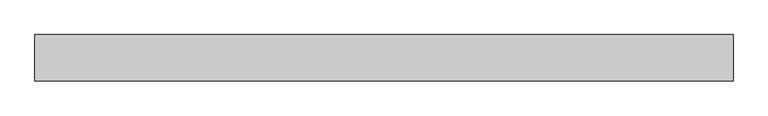
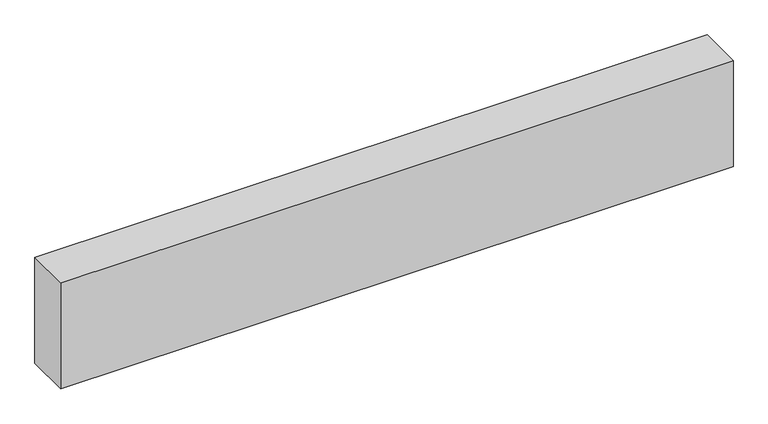
"""IFC4 building model written with IfcOpenShell, lengths in millimetres: proxy geometry."""

import ifcopenshell
import ifcopenshell.guid

model = None  # the IFC model being written
_history = None  # IfcOwnerHistory: only IFC2X3 demands one
_inside = {}  # id of a spatial element -> (the spatial element, [elements in it])
_under = {}  # id of a project, library or spatial element -> (it, [spatial elements below it])
_declared = {}  # id of a project -> (the project, [libraries it declares])
_typed = {}  # id of a type object -> (the type object, [elements of that type])
_made_of = {}  # id of a material, layer set ... -> (it, [elements and type objects made of it])


def new_model(schema):
    """Start an empty IFC model of exactly this schema.

    Asked for "IFC4X3", IfcOpenShell would pick the latest addendum, in which some entities
    have other attributes; the version numbers below select the first issue.
    IFC2X3 requires an IfcOwnerHistory on every rooted entity: one is made here for all.
    """
    global model, _history
    if schema == "IFC4X3":
        model = ifcopenshell.file(schema_version=(4, 3, 0, 0))
    else:
        model = ifcopenshell.file(schema=schema)
    _inside.clear()
    _under.clear()
    _declared.clear()
    _typed.clear()
    _made_of.clear()
    _history = None
    if model.schema == "IFC2X3":
        org = make("IfcOrganization", Name="unknown")
        user = make(
            "IfcPersonAndOrganization",
            ThePerson=make("IfcPerson", FamilyName="unknown"),
            TheOrganization=org,
        )
        app = make(
            "IfcApplication",
            ApplicationDeveloper=org,
            Version="unknown",
            ApplicationFullName="unknown",
            ApplicationIdentifier="unknown",
        )
        _history = make(
            "IfcOwnerHistory",
            OwningUser=user,
            OwningApplication=app,
            ChangeAction="ADDED",
            CreationDate=0,
        )
    return model


def make(cls, **values):
    """One entity of the class cls with the attributes given. An attribute that is None is left unset."""
    return model.create_entity(
        cls, **{name: value for name, value in values.items() if value is not None}
    )


def rooted(cls, **values):
    """An entity with a GlobalId (a new one), such as an element, a storey or a relation."""
    return make(cls, GlobalId=ifcopenshell.guid.new(), OwnerHistory=_history, **values)


def si_unit(unit_type, name, prefix=None):
    """IfcSIUnit, for example si_unit("LENGTHUNIT", "METRE", prefix="MILLI")."""
    return make("IfcSIUnit", UnitType=unit_type, Prefix=prefix, Name=name)


def assignment(units):
    """IfcUnitAssignment: the units of a project."""
    return None if units is None else make("IfcUnitAssignment", Units=units)


def point(xyz):
    """IfcCartesianPoint."""
    return None if xyz is None else make("IfcCartesianPoint", Coordinates=xyz)


def direction(xyz):
    """IfcDirection."""
    return None if xyz is None else make("IfcDirection", DirectionRatios=xyz)


def frame(location, z_axis=None, x_axis=None):
    """IfcAxis2Placement3D, a coordinate frame: its origin and axes. An axis left out is left unset."""
    return make(
        "IfcAxis2Placement3D",
        Location=point(location),
        Axis=direction(z_axis),
        RefDirection=direction(x_axis),
    )


def origin():
    """The frame at (0, 0, 0) with its axes left unset."""
    return frame((0.0, 0.0, 0.0))


def origin_with_axes():
    """The frame at (0, 0, 0) with the z axis (0, 0, 1) and the x axis (1, 0, 0) written out."""
    return frame((0.0, 0.0, 0.0), z_axis=(0.0, 0.0, 1.0), x_axis=(1.0, 0.0, 0.0))


def place(relative_to, where):
    """IfcLocalPlacement: puts the frame where relative to a parent placement (None: the world)."""
    return make(
        "IfcLocalPlacement", PlacementRelTo=relative_to, RelativePlacement=where
    )


def context(
    kind, dimensions, precision=None, world=None, true_north=None, identifier=None
):
    """IfcGeometricRepresentationContext, for example the 3D "Model" context."""
    return make(
        "IfcGeometricRepresentationContext",
        ContextIdentifier=identifier,
        ContextType=kind,
        CoordinateSpaceDimension=dimensions,
        Precision=precision,
        WorldCoordinateSystem=world,
        TrueNorth=true_north,
    )


def project(units=None, contexts=None):
    """IfcProject with its units and contexts."""
    return rooted(
        "IfcProject",
        Name="project",
        RepresentationContexts=contexts,
        UnitsInContext=assignment(units),
    )


def spatial(cls, under=None, at=None, **own):
    """A site, building, storey or space (cls), placed at a placement, below another one or the project."""
    s = rooted(cls, ObjectPlacement=at, **own)
    if under is not None:
        _under.setdefault(under.id(), (under, []))[1].append(s)
    return s


def polyline(points):
    """IfcPolyline through the points."""
    return make("IfcPolyline", Points=[point(p) for p in points])


def outline(outer, holes=None, kind="AREA"):
    """IfcArbitraryClosedProfileDef: a profile drawn as a closed curve; with holes, ...WithVoids."""
    if holes is None:
        return make("IfcArbitraryClosedProfileDef", ProfileType=kind, OuterCurve=outer)
    return make(
        "IfcArbitraryProfileDefWithVoids",
        ProfileType=kind,
        OuterCurve=outer,
        InnerCurves=holes,
    )


def extrude(swept, where, along, depth):
    """IfcExtrudedAreaSolid: the profile swept, set in the frame where, extruded along a direction by depth."""
    return make(
        "IfcExtrudedAreaSolid",
        SweptArea=swept,
        Position=where,
        ExtrudedDirection=direction(along),
        Depth=depth,
    )


def shape(context_of_items, identifier, shape_type, items):
    """IfcShapeRepresentation: the items that make up one representation, for example the "Body"."""
    return make(
        "IfcShapeRepresentation",
        ContextOfItems=context_of_items,
        RepresentationIdentifier=identifier,
        RepresentationType=shape_type,
        Items=items,
    )


def source(mapping_origin, context_of_items, identifier, shape_type, items):
    """IfcRepresentationMap: a shape defined once, which mapped items show again and again."""
    return make(
        "IfcRepresentationMap",
        MappingOrigin=mapping_origin,
        MappedRepresentation=shape(context_of_items, identifier, shape_type, items),
    )


def transform(
    local_origin,
    x_axis=None,
    y_axis=None,
    z_axis=None,
    scale=None,
    scale2=None,
    scale3=None,
    uniform=True,
):
    """IfcCartesianTransformationOperator3D, or its non-uniform kind. x_axis, y_axis, z_axis: its Axis1, 2, 3."""
    if uniform:
        return make(
            "IfcCartesianTransformationOperator3D",
            Axis1=direction(x_axis),
            Axis2=direction(y_axis),
            LocalOrigin=point(local_origin),
            Scale=scale,
            Axis3=direction(z_axis),
        )
    return make(
        "IfcCartesianTransformationOperator3DnonUniform",
        Axis1=direction(x_axis),
        Axis2=direction(y_axis),
        LocalOrigin=point(local_origin),
        Scale=scale,
        Axis3=direction(z_axis),
        Scale2=scale2,
        Scale3=scale3,
    )


def mapped(mapping_source, mapping_target):
    """IfcMappedItem: shows the shape of a source again, moved by a transform."""
    return make(
        "IfcMappedItem", MappingSource=mapping_source, MappingTarget=mapping_target
    )


def made_of(thing, what):
    """Note that an element or type object is made of a material, layer set ...; save() writes the relation."""
    if what is not None:
        _made_of.setdefault(what.id(), (what, []))[1].append(thing)
    return thing


def element(
    cls,
    number,
    at=None,
    inside=None,
    cuts=None,
    type_object=None,
    material=None,
    context=None,
    identifier="Body",
    shape_type=None,
    held_by="IfcProductDefinitionShape",
    body=None,
    shapes=None,
    **own,
):
    """One element of the class cls, such as IfcWall. Its Tag is "e" and its number.

    at: its placement. inside: the storey or other place that contains it. cuts: it is an
    opening in that element (IfcRelVoidsElement). A single representation is given by context,
    identifier, shape_type and body (its items); several are given by shapes. held_by: the class
    of the entity that holds the representations. save() writes the other relations.
    """
    e = rooted(cls, Tag="e%d" % number, ObjectPlacement=at, **own)
    if body is not None:
        shapes = [shape(context, identifier, shape_type, body)]
    if shapes is not None:
        e.Representation = make(held_by, Representations=shapes)
    if inside is not None:
        _inside.setdefault(inside.id(), (inside, []))[1].append(e)
    if cuts is not None:
        rooted(
            "IfcRelVoidsElement", RelatingBuildingElement=cuts, RelatedOpeningElement=e
        )
    if type_object is not None:
        _typed.setdefault(type_object.id(), (type_object, []))[1].append(e)
    return made_of(e, material)


def aggregate(whole, parts):
    """IfcRelAggregates: a whole, such as a stair, and the parts it consists of."""
    return rooted("IfcRelAggregates", RelatingObject=whole, RelatedObjects=parts)


def save(model, path):
    """Write the relations noted so far, then the file.

    IfcRelAggregates (storeys below a building ...), IfcRelContainedInSpatialStructure (elements
    in a storey), IfcRelDefinesByType, IfcRelAssociatesMaterial and IfcRelDeclares: one each for
    every whole, place, type object, material and project.
    """
    for whole, parts in _under.values():
        aggregate(whole, parts)
    for where, things in _inside.values():
        rooted(
            "IfcRelContainedInSpatialStructure",
            RelatedElements=things,
            RelatingStructure=where,
        )
    for kind, things in _typed.values():
        rooted("IfcRelDefinesByType", RelatedObjects=things, RelatingType=kind)
    for what, things in _made_of.values():
        rooted("IfcRelAssociatesMaterial", RelatedObjects=things, RelatingMaterial=what)
    for by, libraries in _declared.values():
        rooted("IfcRelDeclares", RelatingContext=by, RelatedDefinitions=libraries)
    model.write(path)


def generic_models_50fb8acc(model_context):
    return source(origin(), model_context, "Body", "SweptSolid", [
        extrude(outline(polyline([(3000.0, 200.0), (3000.0, 0.0), (0.0, 0.0), (0.0, 200.0), (3000.0, 200.0)])), origin_with_axes(), (0.0, 0.0, 1.0), 500.0),
    ])


if __name__ == "__main__":
    model = new_model("IFC4")
    model_context = context("Model", 3, world=origin())
    ifc_project = project(units=[si_unit("LENGTHUNIT", "METRE", prefix="MILLI")], contexts=[model_context])
    site = spatial("IfcSite", under=ifc_project)
    building = spatial("IfcBuilding", under=site)
    placement = place(None, origin())
    generic_models_shape = generic_models_50fb8acc(model_context)
    element("IfcBuildingElementProxy", 1, Name="Generic Models", at=placement, inside=building, context=model_context, shape_type="MappedRepresentation", body=[
        mapped(generic_models_shape, transform((0.0, 0.0, 0.0), x_axis=(1.0, 0.0, 0.0), y_axis=(0.0, 1.0, 0.0), z_axis=(0.0, 0.0, 1.0))),
    ])
    save(model, "model.ifc")
